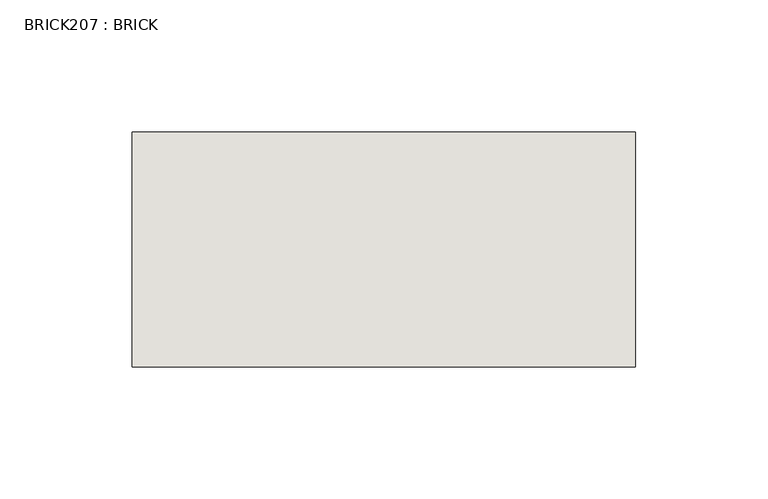
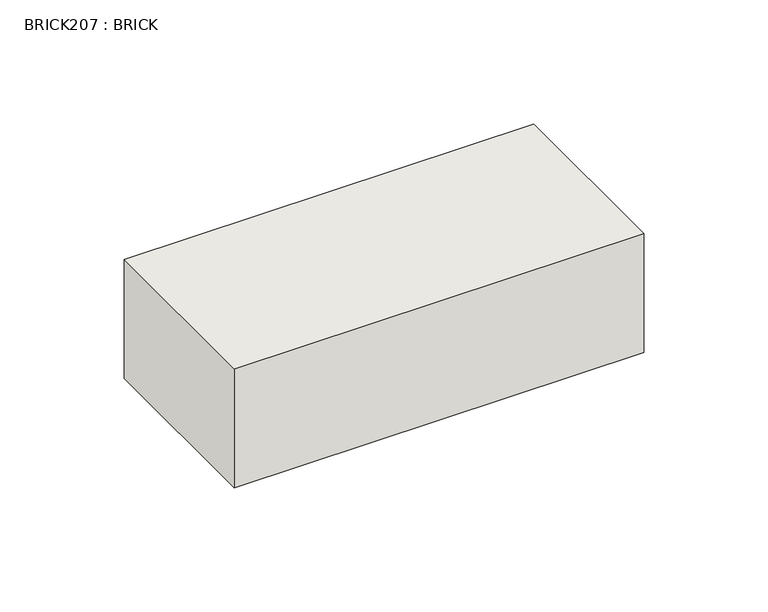
"""IFC4 building model written with IfcOpenShell, lengths in millimetres: wall geometry, BRICK207 : BRICK."""

from ifc_helpers import new_model, si_unit, frame, origin, place, context, project, spatial, polyline, outline, extrude, source, transform, mapped, element, save


def brick207_brick_25ea1cc9(model_context):
    return source(origin(), model_context, "Body", "SweptSolid", [
        extrude(outline(polyline([(-971.9316239, 3062.3923312), (-781.4316239, 3062.3923312), (-781.4316239, 2973.4923312), (-971.9316239, 2973.4923312), (-971.9316239, 3062.3923312)])), frame((0.0, 0.0, 353.7148438), z_axis=(0.0, 0.0, 1.0), x_axis=(1.0, 0.0, 0.0)), (0.0, 0.0, 1.0), 58.4398438),
    ])


if __name__ == "__main__":
    model = new_model("IFC4")
    model_context = context("Model", 3, world=origin())
    ifc_project = project(units=[si_unit("LENGTHUNIT", "METRE", prefix="MILLI")], contexts=[model_context])
    site = spatial("IfcSite", under=ifc_project)
    building = spatial("IfcBuilding", under=site)
    placement = place(None, origin())
    brick207_brick_shape = brick207_brick_25ea1cc9(model_context)
    element("IfcWall", 1, ObjectType="BRICK207 : BRICK", at=placement, inside=building, context=model_context, shape_type="MappedRepresentation", body=[
        mapped(brick207_brick_shape, transform((0.0, 0.0, 0.0), x_axis=(1.0, 0.0, 0.0), y_axis=(0.0, 1.0, 0.0), z_axis=(0.0, 0.0, 1.0))),
    ])
    save(model, "model.ifc")
